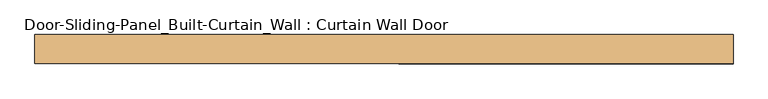
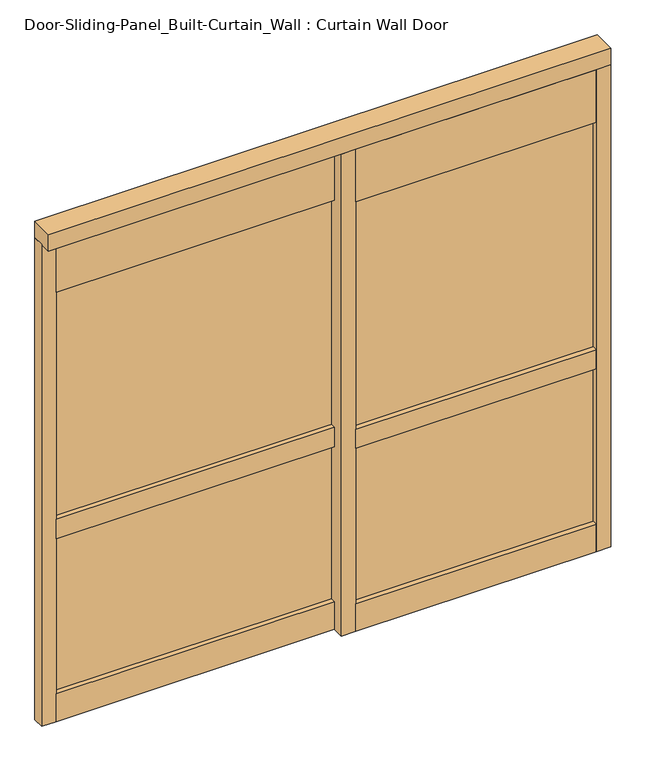
"""IFC4 building model written with IfcOpenShell, lengths in millimetres: door geometry, Door-Sliding-Panel_Built-Curtain_Wall : Curtain Wall Door."""

from ifc_helpers import new_model, si_unit, frame, origin, origin_with_axes, place, context, project, spatial, polyline, outline, extrude, source, transform, mapped, element, save


def door_sliding_panel_built_curtain_wall_curtain_wall_door_b9a26fe2(model_context):
    return source(origin(), model_context, "Body", "SweptSolid", [
        extrude(outline(polyline([(-1155.7, 22.225), (-1155.7, 28.575), (50.7731001, 28.575), (50.7731001, 22.225), (-1155.7, 22.225)])), origin_with_axes(), (0.0, 0.0, 1.0), 711.2),
        extrude(outline(polyline([(-1155.7, 22.225), (-1155.7, 28.575), (50.7731001, 28.575), (50.7731001, 22.225), (-1155.7, 22.225)])), frame((0.0, 0.0, 800.1), z_axis=(0.0, 0.0, 1.0), x_axis=(1.0, 0.0, 0.0)), (0.0, 0.0, 1.0), 1041.4),
        extrude(outline(polyline([(114.2731001, -28.575), (114.2731001, -22.225), (1155.7, -22.225), (1155.7, -28.575), (114.2731001, -28.575)])), frame((0.0, 0.0, 800.1), z_axis=(0.0, 0.0, 1.0), x_axis=(1.0, 0.0, 0.0)), (0.0, 0.0, 1.0), 1041.4),
        extrude(outline(polyline([(114.2731001, -28.575), (114.2731001, -22.225), (1155.7, -22.225), (1155.7, -28.575), (114.2731001, -28.575)])), origin_with_axes(), (0.0, 0.0, 1.0), 711.2),
        extrude(outline(polyline([(114.2731001, -50.8), (114.2731001, 0.0), (1155.7, 0.0), (1155.7, -50.8), (114.2731001, -50.8)])), frame((0.0, 0.0, -127.0436399), z_axis=(0.0, 0.0, 1.0), x_axis=(1.0, 0.0, 0.0)), (0.0, 0.0, 1.0), 127.0436399),
        extrude(outline(polyline([(114.2731001, -50.8), (114.2731001, 0.0), (1155.7, 0.0), (1155.7, -50.8), (114.2731001, -50.8)])), frame((0.0, 0.0, 711.2), z_axis=(0.0, 0.0, 1.0), x_axis=(1.0, 0.0, 0.0)), (0.0, 0.0, 1.0), 88.9),
        extrude(outline(polyline([(114.2731001, -50.8), (114.2731001, 0.0), (1155.7, 0.0), (1155.7, -50.8), (114.2731001, -50.8)])), frame((0.0, 0.0, 1841.5), z_axis=(0.0, 0.0, 1.0), x_axis=(1.0, 0.0, 0.0)), (0.0, 0.0, 1.0), 241.3),
        extrude(outline(polyline([(-1155.7, 0.0), (-1155.7, 50.8), (50.7731001, 50.8), (50.7731001, 0.0), (-1155.7, 0.0)])), frame((0.0, 0.0, -127.0436399), z_axis=(0.0, 0.0, 1.0), x_axis=(1.0, 0.0, 0.0)), (0.0, 0.0, 1.0), 127.0436399),
        extrude(outline(polyline([(-1155.7, 0.0), (-1155.7, 50.8), (50.7731001, 50.8), (50.7731001, 0.0), (-1155.7, 0.0)])), frame((0.0, 0.0, 711.2), z_axis=(0.0, 0.0, 1.0), x_axis=(1.0, 0.0, 0.0)), (0.0, 0.0, 1.0), 88.9),
        extrude(outline(polyline([(-1155.7, 0.0), (-1155.7, 50.8), (50.7731001, 50.8), (50.7731001, 0.0), (-1155.7, 0.0)])), frame((0.0, 0.0, 1841.5), z_axis=(0.0, 0.0, 1.0), x_axis=(1.0, 0.0, 0.0)), (0.0, 0.0, 1.0), 241.3),
        extrude(outline(polyline([(1155.7, 0.0), (1219.2, 0.0), (1219.2, -50.8), (1155.7, -50.8), (1155.7, 0.0)])), frame((0.0, 0.0, -127.0436399), z_axis=(0.0, 0.0, 1.0), x_axis=(1.0, 0.0, 0.0)), (0.0, 0.0, 1.0), 2209.8436399),
        extrude(outline(polyline([(114.2731001, 50.8), (114.2731001, -50.8), (50.7731001, -50.8), (50.7731001, 50.8), (114.2731001, 50.8)])), frame((0.0, 0.0, -127.0436399), z_axis=(0.0, 0.0, 1.0), x_axis=(1.0, 0.0, 0.0)), (0.0, 0.0, 1.0), 2209.8436399),
        extrude(outline(polyline([(-1155.7, 50.8), (-1155.7, 0.0), (-1219.2, 0.0), (-1219.2, 50.8), (-1155.7, 50.8)])), frame((0.0, 0.0, -127.0436399), z_axis=(0.0, 0.0, 1.0), x_axis=(1.0, 0.0, 0.0)), (0.0, 0.0, 1.0), 2209.8436399),
        extrude(outline(polyline([(-1219.2, -50.8), (-1219.2, 50.8), (1219.2, 50.8), (1219.2, -50.8), (-1219.2, -50.8)])), frame((0.0, 0.0, 2082.8), z_axis=(0.0, 0.0, 1.0), x_axis=(1.0, 0.0, 0.0)), (0.0, 0.0, 1.0), 76.2),
    ])


if __name__ == "__main__":
    model = new_model("IFC4")
    model_context = context("Model", 3, world=origin())
    ifc_project = project(units=[si_unit("LENGTHUNIT", "METRE", prefix="MILLI")], contexts=[model_context])
    site = spatial("IfcSite", under=ifc_project)
    building = spatial("IfcBuilding", under=site)
    placement = place(None, origin())
    door_sliding_panel_built_curtain_wall_curtain_wall_door_shape = door_sliding_panel_built_curtain_wall_curtain_wall_door_b9a26fe2(model_context)
    element("IfcDoor", 1, ObjectType="Door-Sliding-Panel_Built-Curtain_Wall : Curtain Wall Door", at=placement, inside=building, context=model_context, shape_type="MappedRepresentation", body=[
        mapped(door_sliding_panel_built_curtain_wall_curtain_wall_door_shape, transform((0.0, 0.0, 0.0), x_axis=(1.0, 0.0, 0.0), y_axis=(0.0, 1.0, 0.0), z_axis=(0.0, 0.0, 1.0))),
    ])
    save(model, "model.ifc")
